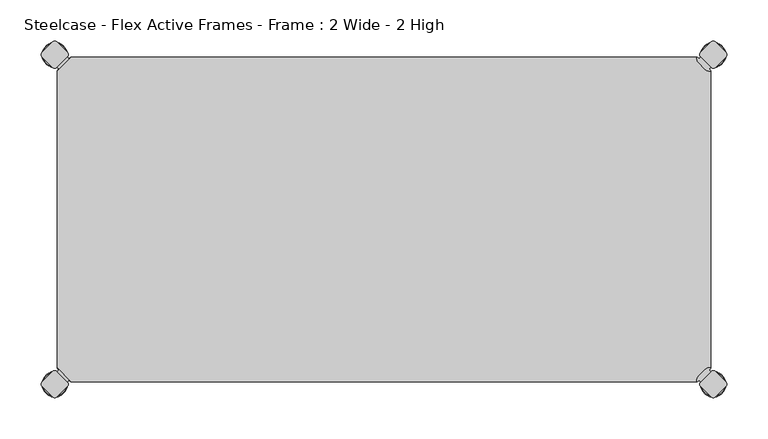
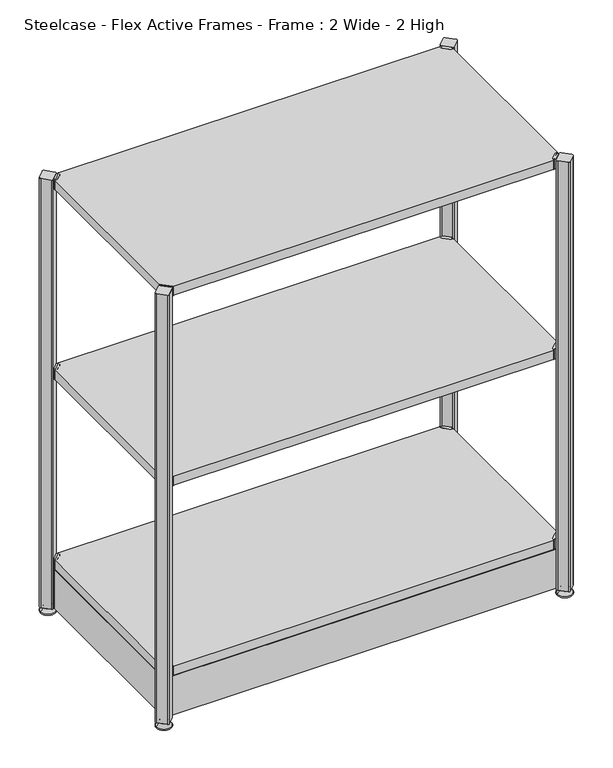
"""IFC4 building model written with IfcOpenShell, lengths in millimetres: furniture geometry, Steelcase - Flex Active Frames - Frame : 2 Wide - 2 High."""

from ifc_helpers import new_model, si_unit, point, frame, frame_2d, origin, place, context, project, spatial, polyline, circle_curve, ellipse_curve, trimmed, segment, composite_curve, outline, extrude, source, transform, mapped, element, save
from ifc_brep_helpers import plane_surface, cylinder_surface, revolved_surface, advanced_brep


def steelcase_flex_active_frames_frame_2_wide_2_high_5bd7e13f(model_context):
    return source(origin(), model_context, "Body", "SolidModel", [
        advanced_brep(
        [(795.4995166, -396.9286835, 0.0), (809.4482375, -396.9286835, 0.0), (781.5507958, -396.9286835, 0.0), (810.3951451, -396.9286835, 2.116325), (780.6038882, -396.9286835, 2.116325), (804.2429012, -396.9286835, 8.9997406), (786.7561321, -396.9286835, 8.9997406), (802.9003852, -396.9286835, 8.9997406), (788.0986481, -396.9286835, 8.9997406), (802.9003852, -396.9286835, 12.0919909), (788.0986481, -396.9286835, 12.0919909), (802.3923852, -396.9286835, 12.5999909), (788.6066481, -396.9286835, 12.5999909), (799.518847, -396.9286835, 12.5999909), (791.4801863, -396.9286835, 12.5999909), (799.518847, -396.9286835, 22.7146261), (791.4801863, -396.9286835, 22.7146261), (795.4995166, -396.9286835, 22.7146261)],
        [
            (0, 1),
            (1, 2, circle_curve(frame((795.4995166, -396.9286835, 0.0), z_axis=(0.0, 0.0, -1.0), x_axis=(1.0, 0.0, 0.0)), 13.9487209)),
            (2, 0),
            (2, 1, circle_curve(frame((795.4995166, -396.9286835, 0.0), z_axis=(0.0, 0.0, -1.0), x_axis=(1.0, 0.0, 0.0)), 13.9487209)),
            (1, 3, circle_curve(frame((809.4482375, -396.9286835, 1.27), z_axis=(0.0, -1.0, 0.0), x_axis=(1.0, 0.0, 0.0)), 1.27)),
            (3, 4, circle_curve(frame((795.4995166, -396.9286835, 2.116325), z_axis=(0.0, 0.0, -1.0), x_axis=(1.0, 0.0, 0.0)), 14.8956285)),
            (4, 2, circle_curve(frame((781.5507958, -396.9286835, 1.27), z_axis=(0.0, -1.0, 0.0), x_axis=(-1.0, 0.0, 0.0)), 1.27)),
            (4, 3, circle_curve(frame((795.4995166, -396.9286835, 2.116325), z_axis=(0.0, 0.0, -1.0), x_axis=(1.0, 0.0, 0.0)), 14.8956285)),
            (3, 5),
            (5, 6, circle_curve(frame((795.4995166, -396.9286835, 8.9997406), z_axis=(0.0, 0.0, -1.0), x_axis=(1.0, 0.0, 0.0)), 8.7433846)),
            (6, 4),
            (6, 5, circle_curve(frame((795.4995166, -396.9286835, 8.9997406), z_axis=(0.0, 0.0, -1.0), x_axis=(1.0, 0.0, 0.0)), 8.7433846)),
            (5, 7),
            (7, 8, circle_curve(frame((795.4995166, -396.9286835, 8.9997406), z_axis=(0.0, 0.0, -1.0), x_axis=(1.0, 0.0, 0.0)), 7.4008685)),
            (8, 6),
            (8, 7, circle_curve(frame((795.4995166, -396.9286835, 8.9997406), z_axis=(0.0, 0.0, -1.0), x_axis=(1.0, 0.0, 0.0)), 7.4008685)),
            (7, 9),
            (9, 10, circle_curve(frame((795.4995166, -396.9286835, 12.0919909), z_axis=(0.0, 0.0, -1.0), x_axis=(1.0, 0.0, 0.0)), 7.4008685)),
            (10, 8),
            (10, 9, circle_curve(frame((795.4995166, -396.9286835, 12.0919909), z_axis=(0.0, 0.0, -1.0), x_axis=(1.0, 0.0, 0.0)), 7.4008685)),
            (9, 11, circle_curve(frame((802.3923852, -396.9286835, 12.0919909), z_axis=(0.0, -1.0, 0.0), x_axis=(1.0, 0.0, 0.0)), 0.508)),
            (11, 12, circle_curve(frame((795.4995166, -396.9286835, 12.5999909), z_axis=(0.0, 0.0, -1.0), x_axis=(1.0, 0.0, 0.0)), 6.8928685)),
            (12, 10, circle_curve(frame((788.6066481, -396.9286835, 12.0919909), z_axis=(0.0, -1.0, 0.0), x_axis=(-1.0, 0.0, 0.0)), 0.508)),
            (12, 11, circle_curve(frame((795.4995166, -396.9286835, 12.5999909), z_axis=(0.0, 0.0, -1.0), x_axis=(1.0, 0.0, 0.0)), 6.8928685)),
            (11, 13),
            (13, 14, circle_curve(frame((795.4995166, -396.9286835, 12.5999909), z_axis=(0.0, 0.0, -1.0), x_axis=(1.0, 0.0, 0.0)), 4.0193303)),
            (14, 12),
            (14, 13, circle_curve(frame((795.4995166, -396.9286835, 12.5999909), z_axis=(0.0, 0.0, -1.0), x_axis=(1.0, 0.0, 0.0)), 4.0193303)),
            (13, 15),
            (15, 16, circle_curve(frame((795.4995166, -396.9286835, 22.7146261), z_axis=(0.0, 0.0, -1.0), x_axis=(1.0, 0.0, 0.0)), 4.0193303)),
            (16, 14),
            (16, 15, circle_curve(frame((795.4995166, -396.9286835, 22.7146261), z_axis=(0.0, 0.0, -1.0), x_axis=(1.0, 0.0, 0.0)), 4.0193303)),
            (15, 17),
            (17, 16),
        ],
        [
            plane_surface(frame((795.4995166, -396.9286835, 0.0), z_axis=(0.0, 0.0, -1.0), x_axis=(1.0, 0.0, 0.0))),
            revolved_surface(trimmed(ellipse_curve(frame((809.4482375, -396.9286835, 1.27), z_axis=(0.0, 1.0, 0.0), x_axis=(1.0, 0.0, 0.0)), 1.27, 1.27), [point((810.3951451, -396.9286835, 2.116325))], [point((809.4482375, -396.9286835, 0.0))], True, "CARTESIAN"), (795.4995166, -396.9286835, 32.0514718), (0.0, 0.0, -1.0)),
            revolved_surface(polyline([(804.2429012, -396.9286835, 8.9997406), (810.3951451, -396.9286835, 2.116325)]), (795.4995166, -396.9286835, 32.0514718), (0.0, 0.0, -1.0)),
            plane_surface(frame((795.4995166, -396.9286835, 8.9997406), z_axis=(0.0, 0.0, 1.0), x_axis=(1.0, 0.0, 0.0))),
            cylinder_surface(frame((795.4995166, -396.9286835, 32.0514718), z_axis=(0.0, 0.0, -1.0), x_axis=(1.0, 0.0, 0.0)), 7.4008685),
            revolved_surface(trimmed(ellipse_curve(frame((802.3923852, -396.9286835, 12.0919909), z_axis=(0.0, 1.0, 0.0), x_axis=(1.0, 0.0, 0.0)), 0.508, 0.508), [point((802.3923852, -396.9286835, 12.5999909))], [point((802.9003852, -396.9286835, 12.0919909))], True, "CARTESIAN"), (795.4995166, -396.9286835, 32.0514718), (0.0, 0.0, -1.0)),
            plane_surface(frame((795.4995166, -396.9286835, 12.5999909), z_axis=(0.0, 0.0, 1.0), x_axis=(1.0, 0.0, 0.0))),
            cylinder_surface(frame((795.4995166, -396.9286835, 32.0514718), z_axis=(0.0, 0.0, -1.0), x_axis=(1.0, 0.0, 0.0)), 4.0193303),
            plane_surface(frame((795.4995166, -396.9286835, 22.7146261), z_axis=(0.0, 0.0, 1.0), x_axis=(1.0, 0.0, 0.0))),
        ],
        [
            (0, [[1, 2, 3]]),
            (0, [[-3, 4, -1]]),
            (1, [[-2, 5, 6, 7]]),
            (1, [[-4, -7, 8, -5]]),
            (2, [[-6, 9, 10, 11]]),
            (2, [[-8, -11, 12, -9]]),
            (3, [[-10, 13, 14, 15]]),
            (3, [[-12, -15, 16, -13]]),
            (4, [[-14, 17, 18, 19]]),
            (4, [[-16, -19, 20, -17]]),
            (5, [[-18, 21, 22, 23]]),
            (5, [[-20, -23, 24, -21]]),
            (6, [[-22, 25, 26, 27]]),
            (6, [[-24, -27, 28, -25]]),
            (7, [[-26, 29, 30, 31]]),
            (7, [[-28, -31, 32, -29]]),
            (8, [[-30, 33, 34]]),
            (8, [[-32, -34, -33]]),
        ],
    ),
        advanced_brep(
        [(795.4995166, 2.9246323, 0.0), (781.5507958, 2.9246323, 0.0), (809.4482375, 2.9246323, 0.0), (780.6038882, 2.9246323, 2.116325), (810.3951451, 2.9246323, 2.116325), (786.7561321, 2.9246323, 8.9997406), (804.2429012, 2.9246323, 8.9997406), (788.0986481, 2.9246323, 8.9997406), (802.9003852, 2.9246323, 8.9997406), (788.0986481, 2.9246323, 12.0919909), (802.9003852, 2.9246323, 12.0919909), (788.6066481, 2.9246323, 12.5999909), (802.3923852, 2.9246323, 12.5999909), (791.4801863, 2.9246323, 12.5999909), (799.518847, 2.9246323, 12.5999909), (791.4801863, 2.9246323, 22.7146261), (799.518847, 2.9246323, 22.7146261), (795.4995166, 2.9246323, 22.7146261)],
        [
            (0, 1),
            (1, 2, circle_curve(frame((795.4995166, 2.9246323, 0.0), z_axis=(0.0, 0.0, -1.0), x_axis=(1.0, 0.0, 0.0)), 13.9487209)),
            (2, 0),
            (2, 1, circle_curve(frame((795.4995166, 2.9246323, 0.0), z_axis=(0.0, 0.0, -1.0), x_axis=(1.0, 0.0, 0.0)), 13.9487209)),
            (1, 3, circle_curve(frame((781.5507958, 2.9246323, 1.27), z_axis=(0.0, 1.0, 0.0), x_axis=(-1.0, 0.0, 0.0)), 1.27)),
            (3, 4, circle_curve(frame((795.4995166, 2.9246323, 2.116325), z_axis=(0.0, 0.0, -1.0), x_axis=(1.0, 0.0, 0.0)), 14.8956285)),
            (4, 2, circle_curve(frame((809.4482375, 2.9246323, 1.27), z_axis=(0.0, 1.0, 0.0), x_axis=(1.0, 0.0, 0.0)), 1.27)),
            (4, 3, circle_curve(frame((795.4995166, 2.9246323, 2.116325), z_axis=(0.0, 0.0, -1.0), x_axis=(1.0, 0.0, 0.0)), 14.8956285)),
            (3, 5),
            (5, 6, circle_curve(frame((795.4995166, 2.9246323, 8.9997406), z_axis=(0.0, 0.0, -1.0), x_axis=(1.0, 0.0, 0.0)), 8.7433846)),
            (6, 4),
            (6, 5, circle_curve(frame((795.4995166, 2.9246323, 8.9997406), z_axis=(0.0, 0.0, -1.0), x_axis=(1.0, 0.0, 0.0)), 8.7433846)),
            (5, 7),
            (7, 8, circle_curve(frame((795.4995166, 2.9246323, 8.9997406), z_axis=(0.0, 0.0, -1.0), x_axis=(1.0, 0.0, 0.0)), 7.4008685)),
            (8, 6),
            (8, 7, circle_curve(frame((795.4995166, 2.9246323, 8.9997406), z_axis=(0.0, 0.0, -1.0), x_axis=(1.0, 0.0, 0.0)), 7.4008685)),
            (7, 9),
            (9, 10, circle_curve(frame((795.4995166, 2.9246323, 12.0919909), z_axis=(0.0, 0.0, -1.0), x_axis=(1.0, 0.0, 0.0)), 7.4008685)),
            (10, 8),
            (10, 9, circle_curve(frame((795.4995166, 2.9246323, 12.0919909), z_axis=(0.0, 0.0, -1.0), x_axis=(1.0, 0.0, 0.0)), 7.4008685)),
            (9, 11, circle_curve(frame((788.6066481, 2.9246323, 12.0919909), z_axis=(0.0, 1.0, 0.0), x_axis=(-1.0, 0.0, 0.0)), 0.508)),
            (11, 12, circle_curve(frame((795.4995166, 2.9246323, 12.5999909), z_axis=(0.0, 0.0, -1.0), x_axis=(1.0, 0.0, 0.0)), 6.8928685)),
            (12, 10, circle_curve(frame((802.3923852, 2.9246323, 12.0919909), z_axis=(0.0, 1.0, 0.0), x_axis=(1.0, 0.0, 0.0)), 0.508)),
            (12, 11, circle_curve(frame((795.4995166, 2.9246323, 12.5999909), z_axis=(0.0, 0.0, -1.0), x_axis=(1.0, 0.0, 0.0)), 6.8928685)),
            (11, 13),
            (13, 14, circle_curve(frame((795.4995166, 2.9246323, 12.5999909), z_axis=(0.0, 0.0, -1.0), x_axis=(1.0, 0.0, 0.0)), 4.0193303)),
            (14, 12),
            (14, 13, circle_curve(frame((795.4995166, 2.9246323, 12.5999909), z_axis=(0.0, 0.0, -1.0), x_axis=(1.0, 0.0, 0.0)), 4.0193303)),
            (13, 15),
            (15, 16, circle_curve(frame((795.4995166, 2.9246323, 22.7146261), z_axis=(0.0, 0.0, -1.0), x_axis=(1.0, 0.0, 0.0)), 4.0193303)),
            (16, 14),
            (16, 15, circle_curve(frame((795.4995166, 2.9246323, 22.7146261), z_axis=(0.0, 0.0, -1.0), x_axis=(1.0, 0.0, 0.0)), 4.0193303)),
            (15, 17),
            (17, 16),
        ],
        [
            plane_surface(frame((795.4995166, 2.9246323, 0.0), z_axis=(0.0, 0.0, -1.0), x_axis=(1.0, 0.0, 0.0))),
            revolved_surface(trimmed(ellipse_curve(frame((809.4482375, 2.9246323, 1.27), z_axis=(0.0, 1.0, 0.0), x_axis=(1.0, 0.0, 0.0)), 1.27, 1.27), [point((810.3951451, 2.9246323, 2.116325))], [point((809.4482375, 2.9246323, 0.0))], True, "CARTESIAN"), (795.4995166, 2.9246323, 32.0514718), (0.0, 0.0, -1.0)),
            revolved_surface(polyline([(804.2429012, 2.9246323, 8.9997406), (810.3951451, 2.9246323, 2.116325)]), (795.4995166, 2.9246323, 32.0514718), (0.0, 0.0, -1.0)),
            plane_surface(frame((795.4995166, 2.9246323, 8.9997406), z_axis=(0.0, 0.0, 1.0), x_axis=(1.0, 0.0, 0.0))),
            cylinder_surface(frame((795.4995166, 2.9246323, 32.0514718), z_axis=(0.0, 0.0, -1.0), x_axis=(1.0, 0.0, 0.0)), 7.4008685),
            revolved_surface(trimmed(ellipse_curve(frame((802.3923852, 2.9246323, 12.0919909), z_axis=(0.0, 1.0, 0.0), x_axis=(1.0, 0.0, 0.0)), 0.508, 0.508), [point((802.3923852, 2.9246323, 12.5999909))], [point((802.9003852, 2.9246323, 12.0919909))], True, "CARTESIAN"), (795.4995166, 2.9246323, 32.0514718), (0.0, 0.0, -1.0)),
            plane_surface(frame((795.4995166, 2.9246323, 12.5999909), z_axis=(0.0, 0.0, 1.0), x_axis=(1.0, 0.0, 0.0))),
            cylinder_surface(frame((795.4995166, 2.9246323, 32.0514718), z_axis=(0.0, 0.0, -1.0), x_axis=(1.0, 0.0, 0.0)), 4.0193303),
            plane_surface(frame((795.4995166, 2.9246323, 22.7146261), z_axis=(0.0, 0.0, 1.0), x_axis=(1.0, 0.0, 0.0))),
        ],
        [
            (0, [[1, 2, 3]]),
            (0, [[-3, 4, -1]]),
            (1, [[5, 6, 7, -2]]),
            (1, [[-7, 8, -5, -4]]),
            (2, [[9, 10, 11, -6]]),
            (2, [[-11, 12, -9, -8]]),
            (3, [[13, 14, 15, -10]]),
            (3, [[-15, 16, -13, -12]]),
            (4, [[17, 18, 19, -14]]),
            (4, [[-19, 20, -17, -16]]),
            (5, [[21, 22, 23, -18]]),
            (5, [[-23, 24, -21, -20]]),
            (6, [[25, 26, 27, -22]]),
            (6, [[-27, 28, -25, -24]]),
            (7, [[29, 30, 31, -26]]),
            (7, [[-31, 32, -29, -28]]),
            (8, [[33, 34, -30]]),
            (8, [[-34, -33, -32]]),
        ],
    ),
        advanced_brep(
        [(-3.0195166, -396.8786323, 0.0), (10.9292042, -396.8786323, 0.0), (-16.9682375, -396.8786323, 0.0), (11.8761118, -396.8786323, 2.116325), (-17.9151451, -396.8786323, 2.116325), (5.7238679, -396.8786323, 8.9997406), (-11.7629012, -396.8786323, 8.9997406), (4.3813519, -396.8786323, 8.9997406), (-10.4203852, -396.8786323, 8.9997406), (4.3813519, -396.8786323, 12.0919909), (-10.4203852, -396.8786323, 12.0919909), (3.8733519, -396.8786323, 12.5999909), (-9.9123852, -396.8786323, 12.5999909), (0.9998137, -396.8786323, 12.5999909), (-7.038847, -396.8786323, 12.5999909), (0.9998137, -396.8786323, 22.7146261), (-7.038847, -396.8786323, 22.7146261), (-3.0195166, -396.8786323, 22.7146261)],
        [
            (0, 1),
            (1, 2, circle_curve(frame((-3.0195166, -396.8786323, 0.0), z_axis=(0.0, 0.0, -1.0), x_axis=(-1.0, 0.0, 0.0)), 13.9487209)),
            (2, 0),
            (2, 1, circle_curve(frame((-3.0195166, -396.8786323, 0.0), z_axis=(0.0, 0.0, -1.0), x_axis=(-1.0, 0.0, 0.0)), 13.9487209)),
            (1, 3, circle_curve(frame((10.9292042, -396.8786323, 1.27), z_axis=(0.0, -1.0, 0.0), x_axis=(1.0, 0.0, 0.0)), 1.27)),
            (3, 4, circle_curve(frame((-3.0195166, -396.8786323, 2.116325), z_axis=(0.0, 0.0, -1.0), x_axis=(-1.0, 0.0, 0.0)), 14.8956285)),
            (4, 2, circle_curve(frame((-16.9682375, -396.8786323, 1.27), z_axis=(0.0, -1.0, 0.0), x_axis=(-1.0, 0.0, 0.0)), 1.27)),
            (4, 3, circle_curve(frame((-3.0195166, -396.8786323, 2.116325), z_axis=(0.0, 0.0, -1.0), x_axis=(-1.0, 0.0, 0.0)), 14.8956285)),
            (3, 5),
            (5, 6, circle_curve(frame((-3.0195166, -396.8786323, 8.9997406), z_axis=(0.0, 0.0, -1.0), x_axis=(-1.0, 0.0, 0.0)), 8.7433846)),
            (6, 4),
            (6, 5, circle_curve(frame((-3.0195166, -396.8786323, 8.9997406), z_axis=(0.0, 0.0, -1.0), x_axis=(-1.0, 0.0, 0.0)), 8.7433846)),
            (5, 7),
            (7, 8, circle_curve(frame((-3.0195166, -396.8786323, 8.9997406), z_axis=(0.0, 0.0, -1.0), x_axis=(-1.0, 0.0, 0.0)), 7.4008685)),
            (8, 6),
            (8, 7, circle_curve(frame((-3.0195166, -396.8786323, 8.9997406), z_axis=(0.0, 0.0, -1.0), x_axis=(-1.0, 0.0, 0.0)), 7.4008685)),
            (7, 9),
            (9, 10, circle_curve(frame((-3.0195166, -396.8786323, 12.0919909), z_axis=(0.0, 0.0, -1.0), x_axis=(-1.0, 0.0, 0.0)), 7.4008685)),
            (10, 8),
            (10, 9, circle_curve(frame((-3.0195166, -396.8786323, 12.0919909), z_axis=(0.0, 0.0, -1.0), x_axis=(-1.0, 0.0, 0.0)), 7.4008685)),
            (9, 11, circle_curve(frame((3.8733519, -396.8786323, 12.0919909), z_axis=(0.0, -1.0, 0.0), x_axis=(1.0, 0.0, 0.0)), 0.508)),
            (11, 12, circle_curve(frame((-3.0195166, -396.8786323, 12.5999909), z_axis=(0.0, 0.0, -1.0), x_axis=(-1.0, 0.0, 0.0)), 6.8928685)),
            (12, 10, circle_curve(frame((-9.9123852, -396.8786323, 12.0919909), z_axis=(0.0, -1.0, 0.0), x_axis=(-1.0, 0.0, 0.0)), 0.508)),
            (12, 11, circle_curve(frame((-3.0195166, -396.8786323, 12.5999909), z_axis=(0.0, 0.0, -1.0), x_axis=(-1.0, 0.0, 0.0)), 6.8928685)),
            (11, 13),
            (13, 14, circle_curve(frame((-3.0195166, -396.8786323, 12.5999909), z_axis=(0.0, 0.0, -1.0), x_axis=(-1.0, 0.0, 0.0)), 4.0193303)),
            (14, 12),
            (14, 13, circle_curve(frame((-3.0195166, -396.8786323, 12.5999909), z_axis=(0.0, 0.0, -1.0), x_axis=(-1.0, 0.0, 0.0)), 4.0193303)),
            (13, 15),
            (15, 16, circle_curve(frame((-3.0195166, -396.8786323, 22.7146261), z_axis=(0.0, 0.0, -1.0), x_axis=(-1.0, 0.0, 0.0)), 4.0193303)),
            (16, 14),
            (16, 15, circle_curve(frame((-3.0195166, -396.8786323, 22.7146261), z_axis=(0.0, 0.0, -1.0), x_axis=(-1.0, 0.0, 0.0)), 4.0193303)),
            (15, 17),
            (17, 16),
        ],
        [
            plane_surface(frame((-3.0195166, -396.8786323, 0.0), z_axis=(0.0, 0.0, -1.0), x_axis=(-1.0, 0.0, 0.0))),
            revolved_surface(trimmed(ellipse_curve(frame((-16.9682375, -396.8786323, 1.27), z_axis=(0.0, -1.0, 0.0), x_axis=(-1.0, 0.0, 0.0)), 1.27, 1.27), [point((-17.9151451, -396.8786323, 2.116325))], [point((-16.9682375, -396.8786323, 0.0))], True, "CARTESIAN"), (-3.0195166, -396.8786323, 32.0514718), (0.0, 0.0, -1.0)),
            revolved_surface(polyline([(-11.7629012, -396.8786323, 8.9997406), (-17.9151451, -396.8786323, 2.116325)]), (-3.0195166, -396.8786323, 32.0514718), (0.0, 0.0, -1.0)),
            plane_surface(frame((-3.0195166, -396.8786323, 8.9997406), z_axis=(0.0, 0.0, 1.0), x_axis=(-1.0, 0.0, 0.0))),
            cylinder_surface(frame((-3.0195166, -396.8786323, 32.0514718), z_axis=(0.0, 0.0, -1.0), x_axis=(-1.0, 0.0, 0.0)), 7.4008685),
            revolved_surface(trimmed(ellipse_curve(frame((-9.9123852, -396.8786323, 12.0919909), z_axis=(0.0, -1.0, 0.0), x_axis=(-1.0, 0.0, 0.0)), 0.508, 0.508), [point((-9.9123852, -396.8786323, 12.5999909))], [point((-10.4203852, -396.8786323, 12.0919909))], True, "CARTESIAN"), (-3.0195166, -396.8786323, 32.0514718), (0.0, 0.0, -1.0)),
            plane_surface(frame((-3.0195166, -396.8786323, 12.5999909), z_axis=(0.0, 0.0, 1.0), x_axis=(-1.0, 0.0, 0.0))),
            cylinder_surface(frame((-3.0195166, -396.8786323, 32.0514718), z_axis=(0.0, 0.0, -1.0), x_axis=(-1.0, 0.0, 0.0)), 4.0193303),
            plane_surface(frame((-3.0195166, -396.8786323, 22.7146261), z_axis=(0.0, 0.0, 1.0), x_axis=(-1.0, 0.0, 0.0))),
        ],
        [
            (0, [[1, 2, 3]]),
            (0, [[-3, 4, -1]]),
            (1, [[5, 6, 7, -2]]),
            (1, [[-7, 8, -5, -4]]),
            (2, [[9, 10, 11, -6]]),
            (2, [[-11, 12, -9, -8]]),
            (3, [[13, 14, 15, -10]]),
            (3, [[-15, 16, -13, -12]]),
            (4, [[17, 18, 19, -14]]),
            (4, [[-19, 20, -17, -16]]),
            (5, [[21, 22, 23, -18]]),
            (5, [[-23, 24, -21, -20]]),
            (6, [[25, 26, 27, -22]]),
            (6, [[-27, 28, -25, -24]]),
            (7, [[29, 30, 31, -26]]),
            (7, [[-31, 32, -29, -28]]),
            (8, [[33, 34, -30]]),
            (8, [[-34, -33, -32]]),
        ],
    ),
        advanced_brep(
        [(-3.0195166, 2.9246323, 0.0), (-16.9682375, 2.9246323, 0.0), (10.9292042, 2.9246323, 0.0), (-17.9151451, 2.9246323, 2.116325), (11.8761118, 2.9246323, 2.116325), (-11.7629012, 2.9246323, 8.9997406), (5.7238679, 2.9246323, 8.9997406), (-10.4203852, 2.9246323, 8.9997406), (4.3813519, 2.9246323, 8.9997406), (-10.4203852, 2.9246323, 12.0919909), (4.3813519, 2.9246323, 12.0919909), (-9.9123852, 2.9246323, 12.5999909), (3.8733519, 2.9246323, 12.5999909), (-7.038847, 2.9246323, 12.5999909), (0.9998137, 2.9246323, 12.5999909), (-7.038847, 2.9246323, 22.7146261), (0.9998137, 2.9246323, 22.7146261), (-3.0195166, 2.9246323, 22.7146261)],
        [
            (0, 1),
            (1, 2, circle_curve(frame((-3.0195166, 2.9246323, 0.0), z_axis=(0.0, 0.0, -1.0), x_axis=(-1.0, 0.0, 0.0)), 13.9487209)),
            (2, 0),
            (2, 1, circle_curve(frame((-3.0195166, 2.9246323, 0.0), z_axis=(0.0, 0.0, -1.0), x_axis=(-1.0, 0.0, 0.0)), 13.9487209)),
            (1, 3, circle_curve(frame((-16.9682375, 2.9246323, 1.27), z_axis=(0.0, 1.0, 0.0), x_axis=(-1.0, 0.0, 0.0)), 1.27)),
            (3, 4, circle_curve(frame((-3.0195166, 2.9246323, 2.116325), z_axis=(0.0, 0.0, -1.0), x_axis=(-1.0, 0.0, 0.0)), 14.8956285)),
            (4, 2, circle_curve(frame((10.9292042, 2.9246323, 1.27), z_axis=(0.0, 1.0, 0.0), x_axis=(1.0, 0.0, 0.0)), 1.27)),
            (4, 3, circle_curve(frame((-3.0195166, 2.9246323, 2.116325), z_axis=(0.0, 0.0, -1.0), x_axis=(-1.0, 0.0, 0.0)), 14.8956285)),
            (3, 5),
            (5, 6, circle_curve(frame((-3.0195166, 2.9246323, 8.9997406), z_axis=(0.0, 0.0, -1.0), x_axis=(-1.0, 0.0, 0.0)), 8.7433846)),
            (6, 4),
            (6, 5, circle_curve(frame((-3.0195166, 2.9246323, 8.9997406), z_axis=(0.0, 0.0, -1.0), x_axis=(-1.0, 0.0, 0.0)), 8.7433846)),
            (5, 7),
            (7, 8, circle_curve(frame((-3.0195166, 2.9246323, 8.9997406), z_axis=(0.0, 0.0, -1.0), x_axis=(-1.0, 0.0, 0.0)), 7.4008685)),
            (8, 6),
            (8, 7, circle_curve(frame((-3.0195166, 2.9246323, 8.9997406), z_axis=(0.0, 0.0, -1.0), x_axis=(-1.0, 0.0, 0.0)), 7.4008685)),
            (7, 9),
            (9, 10, circle_curve(frame((-3.0195166, 2.9246323, 12.0919909), z_axis=(0.0, 0.0, -1.0), x_axis=(-1.0, 0.0, 0.0)), 7.4008685)),
            (10, 8),
            (10, 9, circle_curve(frame((-3.0195166, 2.9246323, 12.0919909), z_axis=(0.0, 0.0, -1.0), x_axis=(-1.0, 0.0, 0.0)), 7.4008685)),
            (9, 11, circle_curve(frame((-9.9123852, 2.9246323, 12.0919909), z_axis=(0.0, 1.0, 0.0), x_axis=(-1.0, 0.0, 0.0)), 0.508)),
            (11, 12, circle_curve(frame((-3.0195166, 2.9246323, 12.5999909), z_axis=(0.0, 0.0, -1.0), x_axis=(-1.0, 0.0, 0.0)), 6.8928685)),
            (12, 10, circle_curve(frame((3.8733519, 2.9246323, 12.0919909), z_axis=(0.0, 1.0, 0.0), x_axis=(1.0, 0.0, 0.0)), 0.508)),
            (12, 11, circle_curve(frame((-3.0195166, 2.9246323, 12.5999909), z_axis=(0.0, 0.0, -1.0), x_axis=(-1.0, 0.0, 0.0)), 6.8928685)),
            (11, 13),
            (13, 14, circle_curve(frame((-3.0195166, 2.9246323, 12.5999909), z_axis=(0.0, 0.0, -1.0), x_axis=(-1.0, 0.0, 0.0)), 4.0193303)),
            (14, 12),
            (14, 13, circle_curve(frame((-3.0195166, 2.9246323, 12.5999909), z_axis=(0.0, 0.0, -1.0), x_axis=(-1.0, 0.0, 0.0)), 4.0193303)),
            (13, 15),
            (15, 16, circle_curve(frame((-3.0195166, 2.9246323, 22.7146261), z_axis=(0.0, 0.0, -1.0), x_axis=(-1.0, 0.0, 0.0)), 4.0193303)),
            (16, 14),
            (16, 15, circle_curve(frame((-3.0195166, 2.9246323, 22.7146261), z_axis=(0.0, 0.0, -1.0), x_axis=(-1.0, 0.0, 0.0)), 4.0193303)),
            (15, 17),
            (17, 16),
        ],
        [
            plane_surface(frame((-3.0195166, 2.9246323, 0.0), z_axis=(0.0, 0.0, -1.0), x_axis=(-1.0, 0.0, 0.0))),
            revolved_surface(trimmed(ellipse_curve(frame((-16.9682375, 2.9246323, 1.27), z_axis=(0.0, -1.0, 0.0), x_axis=(-1.0, 0.0, 0.0)), 1.27, 1.27), [point((-17.9151451, 2.9246323, 2.116325))], [point((-16.9682375, 2.9246323, 0.0))], True, "CARTESIAN"), (-3.0195166, 2.9246323, 32.0514718), (0.0, 0.0, -1.0)),
            revolved_surface(polyline([(-11.7629012, 2.9246323, 8.9997406), (-17.9151451, 2.9246323, 2.116325)]), (-3.0195166, 2.9246323, 32.0514718), (0.0, 0.0, -1.0)),
            plane_surface(frame((-3.0195166, 2.9246323, 8.9997406), z_axis=(0.0, 0.0, 1.0), x_axis=(-1.0, 0.0, 0.0))),
            cylinder_surface(frame((-3.0195166, 2.9246323, 32.0514718), z_axis=(0.0, 0.0, -1.0), x_axis=(-1.0, 0.0, 0.0)), 7.4008685),
            revolved_surface(trimmed(ellipse_curve(frame((-9.9123852, 2.9246323, 12.0919909), z_axis=(0.0, -1.0, 0.0), x_axis=(-1.0, 0.0, 0.0)), 0.508, 0.508), [point((-9.9123852, 2.9246323, 12.5999909))], [point((-10.4203852, 2.9246323, 12.0919909))], True, "CARTESIAN"), (-3.0195166, 2.9246323, 32.0514718), (0.0, 0.0, -1.0)),
            plane_surface(frame((-3.0195166, 2.9246323, 12.5999909), z_axis=(0.0, 0.0, 1.0), x_axis=(-1.0, 0.0, 0.0))),
            cylinder_surface(frame((-3.0195166, 2.9246323, 32.0514718), z_axis=(0.0, 0.0, -1.0), x_axis=(-1.0, 0.0, 0.0)), 4.0193303),
            plane_surface(frame((-3.0195166, 2.9246323, 22.7146261), z_axis=(0.0, 0.0, 1.0), x_axis=(-1.0, 0.0, 0.0))),
        ],
        [
            (0, [[1, 2, 3]]),
            (0, [[-3, 4, -1]]),
            (1, [[-2, 5, 6, 7]]),
            (1, [[-4, -7, 8, -5]]),
            (2, [[-6, 9, 10, 11]]),
            (2, [[-8, -11, 12, -9]]),
            (3, [[-10, 13, 14, 15]]),
            (3, [[-12, -15, 16, -13]]),
            (4, [[-14, 17, 18, 19]]),
            (4, [[-16, -19, 20, -17]]),
            (5, [[-18, 21, 22, 23]]),
            (5, [[-20, -23, 24, -21]]),
            (6, [[-22, 25, 26, 27]]),
            (6, [[-24, -27, 28, -25]]),
            (7, [[-26, 29, 30, 31]]),
            (7, [[-28, -31, 32, -29]]),
            (8, [[-30, 33, 34]]),
            (8, [[-32, -34, -33]]),
        ],
    ),
        extrude(outline(composite_curve([segment(polyline([(778.3364357, -1.93874), (780.4244011, 0.1493247), (792.6187028, -12.044977), (790.530772, -14.1329326), (792.5017057, -16.1038431), (792.4895198, -17.203916), (789.7543812, -16.8384277)]), True, "CONTINUOUS"), segment(trimmed(circle_curve(frame_2d((790.5954366, -10.5443729)), 6.35), [point((789.7543812, -16.8384277))], [point((786.1052784, -15.0344708))], False, "CARTESIAN"), True, "CONTINUOUS"), segment(polyline([(786.1052784, -15.0344708), (777.4359854, -6.3650612)]), True, "CONTINUOUS"), segment(trimmed(circle_curve(frame_2d((781.9261436, -1.8749633)), 6.35), [point((777.4359854, -6.3650612))], [point((775.6321123, -2.7161946))], False, "CARTESIAN"), True, "CONTINUOUS"), segment(polyline([(775.6321123, -2.7161946), (775.26654, 0.0189911), (776.3664729, 0.0311996), (778.3364357, -1.93874)]), True, "CONTINUOUS")], self_intersect=False)), frame((0.0, 0.0, 896.4822952), z_axis=(0.0, 0.0, 1.0), x_axis=(1.0, 0.0, 0.0)), (0.0, 0.0, 1.0), 20.2281258),
        extrude(outline(composite_curve([segment(polyline([(778.3364357, -392.01526), (776.3664729, -393.9851996), (775.26654, -393.9729911), (775.6321123, -391.2378054)]), True, "CONTINUOUS"), segment(trimmed(circle_curve(frame_2d((781.9261436, -392.0790367)), 6.35), [point((775.6321123, -391.2378054))], [point((777.4359854, -387.5889388))], False, "CARTESIAN"), True, "CONTINUOUS"), segment(polyline([(777.4359854, -387.5889388), (786.1052784, -378.9195292)]), True, "CONTINUOUS"), segment(trimmed(circle_curve(frame_2d((790.5954366, -383.4096271)), 6.35), [point((786.1052784, -378.9195292))], [point((789.7543812, -377.1155723))], False, "CARTESIAN"), True, "CONTINUOUS"), segment(polyline([(789.7543812, -377.1155723), (792.4895198, -376.750084), (792.5017057, -377.8501569), (790.530772, -379.8210674), (792.6187028, -381.909023), (780.4244011, -394.1033247), (778.3364357, -392.01526)]), True, "CONTINUOUS")], self_intersect=False)), frame((0.0, 0.0, 896.4822952), z_axis=(0.0, 0.0, 1.0), x_axis=(1.0, 0.0, 0.0)), (0.0, 0.0, 1.0), 20.2281258),
        extrude(outline(composite_curve([segment(polyline([(778.3364357, -1.93874), (780.4244011, 0.1493247), (792.6187028, -12.044977), (790.530772, -14.1329326), (792.5017057, -16.1038431), (792.4895198, -17.203916), (789.7543812, -16.8384277)]), True, "CONTINUOUS"), segment(trimmed(circle_curve(frame_2d((790.5954366, -10.5443729)), 6.35), [point((789.7543812, -16.8384277))], [point((786.1052784, -15.0344708))], False, "CARTESIAN"), True, "CONTINUOUS"), segment(polyline([(786.1052784, -15.0344708), (777.4359854, -6.3650612)]), True, "CONTINUOUS"), segment(trimmed(circle_curve(frame_2d((781.9261436, -1.8749633)), 6.35), [point((777.4359854, -6.3650612))], [point((775.6321123, -2.7161946))], False, "CARTESIAN"), True, "CONTINUOUS"), segment(polyline([(775.6321123, -2.7161946), (775.26654, 0.0189911), (776.3664729, 0.0311996), (778.3364357, -1.93874)]), True, "CONTINUOUS")], self_intersect=False)), frame((0.0, 0.0, 496.4821468), z_axis=(0.0, 0.0, 1.0), x_axis=(1.0, 0.0, 0.0)), (0.0, 0.0, 1.0), 20.2281258),
        extrude(outline(composite_curve([segment(polyline([(778.3364357, -392.01526), (776.3664729, -393.9851996), (775.26654, -393.9729911), (775.6321123, -391.2378054)]), True, "CONTINUOUS"), segment(trimmed(circle_curve(frame_2d((781.9261436, -392.0790367)), 6.35), [point((775.6321123, -391.2378054))], [point((777.4359854, -387.5889388))], False, "CARTESIAN"), True, "CONTINUOUS"), segment(polyline([(777.4359854, -387.5889388), (786.1052784, -378.9195292)]), True, "CONTINUOUS"), segment(trimmed(circle_curve(frame_2d((790.5954366, -383.4096271)), 6.35), [point((786.1052784, -378.9195292))], [point((789.7543812, -377.1155723))], False, "CARTESIAN"), True, "CONTINUOUS"), segment(polyline([(789.7543812, -377.1155723), (792.4895198, -376.750084), (792.5017057, -377.8501569), (790.530772, -379.8210674), (792.6187028, -381.909023), (780.4244011, -394.1033247), (778.3364357, -392.01526)]), True, "CONTINUOUS")], self_intersect=False)), frame((0.0, 0.0, 496.4821468), z_axis=(0.0, 0.0, 1.0), x_axis=(1.0, 0.0, 0.0)), (0.0, 0.0, 1.0), 20.2281258),
        extrude(outline(composite_curve([segment(polyline([(778.3364357, -1.93874), (780.4244011, 0.1493247), (792.6187028, -12.044977), (790.530772, -14.1329326), (792.5017057, -16.1038431), (792.4895198, -17.203916), (789.7543812, -16.8384277)]), True, "CONTINUOUS"), segment(trimmed(circle_curve(frame_2d((790.5954366, -10.5443729)), 6.35), [point((789.7543812, -16.8384277))], [point((786.1052784, -15.0344708))], False, "CARTESIAN"), True, "CONTINUOUS"), segment(polyline([(786.1052784, -15.0344708), (777.4359854, -6.3650612)]), True, "CONTINUOUS"), segment(trimmed(circle_curve(frame_2d((781.9261436, -1.8749633)), 6.35), [point((777.4359854, -6.3650612))], [point((775.6321123, -2.7161946))], False, "CARTESIAN"), True, "CONTINUOUS"), segment(polyline([(775.6321123, -2.7161946), (775.26654, 0.0189911), (776.3664729, 0.0311996), (778.3364357, -1.93874)]), True, "CONTINUOUS")], self_intersect=False)), frame((0.0, 0.0, 96.4824829), z_axis=(0.0, 0.0, 1.0), x_axis=(1.0, 0.0, 0.0)), (0.0, 0.0, 1.0), 20.2281258),
        extrude(outline(composite_curve([segment(polyline([(778.3364357, -392.01526), (776.3664729, -393.9851996), (775.26654, -393.9729911), (775.6321123, -391.2378054)]), True, "CONTINUOUS"), segment(trimmed(circle_curve(frame_2d((781.9261436, -392.0790367)), 6.35), [point((775.6321123, -391.2378054))], [point((777.4359854, -387.5889388))], False, "CARTESIAN"), True, "CONTINUOUS"), segment(polyline([(777.4359854, -387.5889388), (786.1052784, -378.9195292)]), True, "CONTINUOUS"), segment(trimmed(circle_curve(frame_2d((790.5954366, -383.4096271)), 6.35), [point((786.1052784, -378.9195292))], [point((789.7543812, -377.1155723))], False, "CARTESIAN"), True, "CONTINUOUS"), segment(polyline([(789.7543812, -377.1155723), (792.4895198, -376.750084), (792.5017057, -377.8501569), (790.530772, -379.8210674), (792.6187028, -381.909023), (780.4244011, -394.1033247), (778.3364357, -392.01526)]), True, "CONTINUOUS")], self_intersect=False)), frame((0.0, 0.0, 96.4824829), z_axis=(0.0, 0.0, 1.0), x_axis=(1.0, 0.0, 0.0)), (0.0, 0.0, 1.0), 20.2281258),
        extrude(outline(composite_curve([segment(trimmed(circle_curve(frame_2d((808.8538021, 2.9983545)), 3.048), [point((811.0090767, 5.1536029))], [point((811.0090505, 0.8430799))], False, "CARTESIAN"), True, "CONTINUOUS"), segment(polyline([(811.0090505, 0.8430799), (797.6462856, -12.5195224)]), True, "CONTINUOUS"), segment(trimmed(circle_curve(frame_2d((795.4910373, -10.3642478)), 3.048), [point((797.6462856, -12.5195224))], [point((793.3357649, -12.5194983))], False, "CARTESIAN"), True, "CONTINUOUS"), segment(polyline([(793.3357649, -12.5194983), (779.9732856, 0.8431164)]), True, "CONTINUOUS"), segment(trimmed(circle_curve(frame_2d((782.128558, 2.998367)), 3.048), [point((779.9732856, 0.8431164))], [point((779.9732965, 5.1536284))], False, "CARTESIAN"), True, "CONTINUOUS"), segment(polyline([(779.9732965, 5.1536284), (793.3359936, 18.5163256)]), True, "CONTINUOUS"), segment(trimmed(circle_curve(frame_2d((795.4912551, 16.3610641)), 3.048), [point((793.3359936, 18.5163256))], [point((797.6465297, 18.5163124))], False, "CARTESIAN"), True, "CONTINUOUS"), segment(polyline([(797.6465297, 18.5163124), (811.0090767, 5.1536029)]), True, "CONTINUOUS")], self_intersect=False)), frame((0.0, 0.0, 12.5999909), z_axis=(0.0, 0.0, 1.0), x_axis=(1.0, 0.0, 0.0)), (0.0, 0.0, 1.0), 903.8320091),
        extrude(outline(composite_curve([segment(polyline([(811.0090767, -399.1076029), (797.6465297, -412.4703124)]), True, "CONTINUOUS"), segment(trimmed(circle_curve(frame_2d((795.4912551, -410.3150641)), 3.048), [point((797.6465297, -412.4703124))], [point((793.3359936, -412.4703256))], False, "CARTESIAN"), True, "CONTINUOUS"), segment(polyline([(793.3359936, -412.4703256), (779.9732965, -399.1076284)]), True, "CONTINUOUS"), segment(trimmed(circle_curve(frame_2d((782.128558, -396.952367)), 3.048), [point((779.9732965, -399.1076284))], [point((779.9732856, -394.7971164))], False, "CARTESIAN"), True, "CONTINUOUS"), segment(polyline([(779.9732856, -394.7971164), (793.3357649, -381.4345017)]), True, "CONTINUOUS"), segment(trimmed(circle_curve(frame_2d((795.4910373, -383.5897522)), 3.048), [point((793.3357649, -381.4345017))], [point((797.6462856, -381.4344776))], False, "CARTESIAN"), True, "CONTINUOUS"), segment(polyline([(797.6462856, -381.4344776), (811.0090505, -394.7970799)]), True, "CONTINUOUS"), segment(trimmed(circle_curve(frame_2d((808.8538021, -396.9523545)), 3.048), [point((811.0090505, -394.7970799))], [point((811.0090767, -399.1076029))], False, "CARTESIAN"), True, "CONTINUOUS")], self_intersect=False)), frame((0.0, 0.0, 12.5999909), z_axis=(0.0, 0.0, 1.0), x_axis=(1.0, 0.0, 0.0)), (0.0, 0.0, 1.0), 903.8320091),
        extrude(outline(polyline([(0.0003876, -376.7599914), (0.0003876, -17.1940086), (17.1943962, 0.0), (775.2856038, 0.0), (792.4796124, -17.1940086), (792.4796124, -376.7599914), (775.2856038, -393.954), (17.1943962, -393.954), (0.0003876, -376.7599914)])), frame((0.0, 0.0, 97.4999596), z_axis=(0.0, 0.0, 1.0), x_axis=(1.0, 0.0, 0.0)), (0.0, 0.0, 1.0), 19.0000031),
        extrude(outline(composite_curve([segment(polyline([(14.1435643, -1.93874), (16.1135271, 0.0311996), (17.21346, 0.0189911), (16.8478877, -2.7161946)]), True, "CONTINUOUS"), segment(trimmed(circle_curve(frame_2d((10.5538564, -1.8749633)), 6.35), [point((16.8478877, -2.7161946))], [point((15.0440146, -6.3650612))], False, "CARTESIAN"), True, "CONTINUOUS"), segment(polyline([(15.0440146, -6.3650612), (6.3747216, -15.0344708)]), True, "CONTINUOUS"), segment(trimmed(circle_curve(frame_2d((1.8845634, -10.5443729)), 6.35), [point((6.3747216, -15.0344708))], [point((2.7256188, -16.8384277))], False, "CARTESIAN"), True, "CONTINUOUS"), segment(polyline([(2.7256188, -16.8384277), (-0.0095198, -17.203916), (-0.0217057, -16.1038431), (1.949228, -14.1329326), (-0.1387028, -12.044977), (12.0555989, 0.1493247), (14.1435643, -1.93874)]), True, "CONTINUOUS")], self_intersect=False)), frame((0.0, 0.0, 96.4824829), z_axis=(0.0, 0.0, 1.0), x_axis=(1.0, 0.0, 0.0)), (0.0, 0.0, 1.0), 20.2281258),
        extrude(outline(composite_curve([segment(polyline([(14.1435643, -392.01526), (12.0555989, -394.1033247), (-0.1387028, -381.909023), (1.949228, -379.8210674), (-0.0217057, -377.8501569), (-0.0095198, -376.750084), (2.7256188, -377.1155723)]), True, "CONTINUOUS"), segment(trimmed(circle_curve(frame_2d((1.8845634, -383.4096271)), 6.35), [point((2.7256188, -377.1155723))], [point((6.3747216, -378.9195292))], False, "CARTESIAN"), True, "CONTINUOUS"), segment(polyline([(6.3747216, -378.9195292), (15.0440146, -387.5889388)]), True, "CONTINUOUS"), segment(trimmed(circle_curve(frame_2d((10.5538564, -392.0790367)), 6.35), [point((15.0440146, -387.5889388))], [point((16.8478877, -391.2378054))], False, "CARTESIAN"), True, "CONTINUOUS"), segment(polyline([(16.8478877, -391.2378054), (17.21346, -393.9729911), (16.1135271, -393.9851996), (14.1435643, -392.01526)]), True, "CONTINUOUS")], self_intersect=False)), frame((0.0, 0.0, 96.4824829), z_axis=(0.0, 0.0, 1.0), x_axis=(1.0, 0.0, 0.0)), (0.0, 0.0, 1.0), 20.2281258),
        extrude(outline(polyline([(0.0003876, -376.7599914), (0.0003876, -17.1940086), (17.1943962, 0.0), (775.2856038, 0.0), (792.4796124, -17.1940086), (792.4796124, -376.7599914), (775.2856038, -393.954), (17.1943962, -393.954), (0.0003876, -376.7599914)])), frame((0.0, 0.0, 497.4996235), z_axis=(0.0, 0.0, 1.0), x_axis=(1.0, 0.0, 0.0)), (0.0, 0.0, 1.0), 19.0000031),
        extrude(outline(composite_curve([segment(polyline([(14.1435643, -1.93874), (16.1135271, 0.0311996), (17.21346, 0.0189911), (16.8478877, -2.7161946)]), True, "CONTINUOUS"), segment(trimmed(circle_curve(frame_2d((10.5538564, -1.8749633)), 6.35), [point((16.8478877, -2.7161946))], [point((15.0440146, -6.3650612))], False, "CARTESIAN"), True, "CONTINUOUS"), segment(polyline([(15.0440146, -6.3650612), (6.3747216, -15.0344708)]), True, "CONTINUOUS"), segment(trimmed(circle_curve(frame_2d((1.8845634, -10.5443729)), 6.35), [point((6.3747216, -15.0344708))], [point((2.7256188, -16.8384277))], False, "CARTESIAN"), True, "CONTINUOUS"), segment(polyline([(2.7256188, -16.8384277), (-0.0095198, -17.203916), (-0.0217057, -16.1038431), (1.949228, -14.1329326), (-0.1387028, -12.044977), (12.0555989, 0.1493247), (14.1435643, -1.93874)]), True, "CONTINUOUS")], self_intersect=False)), frame((0.0, 0.0, 496.4821468), z_axis=(0.0, 0.0, 1.0), x_axis=(1.0, 0.0, 0.0)), (0.0, 0.0, 1.0), 20.2281258),
        extrude(outline(composite_curve([segment(polyline([(14.1435643, -392.01526), (12.0555989, -394.1033247), (-0.1387028, -381.909023), (1.949228, -379.8210674), (-0.0217057, -377.8501569), (-0.0095198, -376.750084), (2.7256188, -377.1155723)]), True, "CONTINUOUS"), segment(trimmed(circle_curve(frame_2d((1.8845634, -383.4096271)), 6.35), [point((2.7256188, -377.1155723))], [point((6.3747216, -378.9195292))], False, "CARTESIAN"), True, "CONTINUOUS"), segment(polyline([(6.3747216, -378.9195292), (15.0440146, -387.5889388)]), True, "CONTINUOUS"), segment(trimmed(circle_curve(frame_2d((10.5538564, -392.0790367)), 6.35), [point((15.0440146, -387.5889388))], [point((16.8478877, -391.2378054))], False, "CARTESIAN"), True, "CONTINUOUS"), segment(polyline([(16.8478877, -391.2378054), (17.21346, -393.9729911), (16.1135271, -393.9851996), (14.1435643, -392.01526)]), True, "CONTINUOUS")], self_intersect=False)), frame((0.0, 0.0, 496.4821468), z_axis=(0.0, 0.0, 1.0), x_axis=(1.0, 0.0, 0.0)), (0.0, 0.0, 1.0), 20.2281258),
        extrude(outline(polyline([(0.0003876, -376.7599914), (0.0003876, -17.1940086), (17.1943962, 0.0), (775.2856038, 0.0), (792.4796124, -17.1940086), (792.4796124, -376.7599914), (775.2856038, -393.954), (17.1943962, -393.954), (0.0003876, -376.7599914)])), frame((0.0, 0.0, 897.4997719), z_axis=(0.0, 0.0, 1.0), x_axis=(1.0, 0.0, 0.0)), (0.0, 0.0, 1.0), 19.0000031),
        extrude(outline(composite_curve([segment(polyline([(14.1435643, -1.93874), (16.1135271, 0.0311996), (17.21346, 0.0189911), (16.8478877, -2.7161946)]), True, "CONTINUOUS"), segment(trimmed(circle_curve(frame_2d((10.5538564, -1.8749633)), 6.35), [point((16.8478877, -2.7161946))], [point((15.0440146, -6.3650612))], False, "CARTESIAN"), True, "CONTINUOUS"), segment(polyline([(15.0440146, -6.3650612), (6.3747216, -15.0344708)]), True, "CONTINUOUS"), segment(trimmed(circle_curve(frame_2d((1.8845634, -10.5443729)), 6.35), [point((6.3747216, -15.0344708))], [point((2.7256188, -16.8384277))], False, "CARTESIAN"), True, "CONTINUOUS"), segment(polyline([(2.7256188, -16.8384277), (-0.0095198, -17.203916), (-0.0217057, -16.1038431), (1.949228, -14.1329326), (-0.1387028, -12.044977), (12.0555989, 0.1493247), (14.1435643, -1.93874)]), True, "CONTINUOUS")], self_intersect=False)), frame((0.0, 0.0, 896.4822952), z_axis=(0.0, 0.0, 1.0), x_axis=(1.0, 0.0, 0.0)), (0.0, 0.0, 1.0), 20.2281258),
        extrude(outline(composite_curve([segment(polyline([(14.1435643, -392.01526), (12.0555989, -394.1033247), (-0.1387028, -381.909023), (1.949228, -379.8210674), (-0.0217057, -377.8501569), (-0.0095198, -376.750084), (2.7256188, -377.1155723)]), True, "CONTINUOUS"), segment(trimmed(circle_curve(frame_2d((1.8845634, -383.4096271)), 6.35), [point((2.7256188, -377.1155723))], [point((6.3747216, -378.9195292))], False, "CARTESIAN"), True, "CONTINUOUS"), segment(polyline([(6.3747216, -378.9195292), (15.0440146, -387.5889388)]), True, "CONTINUOUS"), segment(trimmed(circle_curve(frame_2d((10.5538564, -392.0790367)), 6.35), [point((15.0440146, -387.5889388))], [point((16.8478877, -391.2378054))], False, "CARTESIAN"), True, "CONTINUOUS"), segment(polyline([(16.8478877, -391.2378054), (17.21346, -393.9729911), (16.1135271, -393.9851996), (14.1435643, -392.01526)]), True, "CONTINUOUS")], self_intersect=False)), frame((0.0, 0.0, 896.4822952), z_axis=(0.0, 0.0, 1.0), x_axis=(1.0, 0.0, 0.0)), (0.0, 0.0, 1.0), 20.2281258),
        extrude(outline(composite_curve([segment(polyline([(12.155908, -1.0018273), (780.3465262, -1.0019264)]), True, "CONTINUOUS"), segment(trimmed(circle_curve(frame_2d((780.3240926, -3.5418273)), 2.54), [point((780.3465262, -1.0019264))], [point((782.1201439, -1.7457761))], False, "CARTESIAN"), True, "CONTINUOUS"), segment(polyline([(782.1201439, -1.7457761), (790.7284839, -10.3541161)]), True, "CONTINUOUS"), segment(trimmed(circle_curve(frame_2d((788.9324327, -12.1501673)), 2.54), [point((790.7284839, -10.3541161))], [point((791.4724327, -12.1501687))], False, "CARTESIAN"), True, "CONTINUOUS"), segment(polyline([(791.4724327, -12.1501687), (791.4722349, -381.8355295)]), True, "CONTINUOUS"), segment(trimmed(circle_curve(frame_2d((788.9324327, -381.8038327)), 2.54), [point((791.4722349, -381.8355295))], [point((790.7284839, -383.5998839))], False, "CARTESIAN"), True, "CONTINUOUS"), segment(polyline([(790.7284839, -383.5998839), (782.1201439, -392.2082239)]), True, "CONTINUOUS"), segment(trimmed(circle_curve(frame_2d((780.3240926, -390.4121727)), 2.54), [point((782.1201439, -392.2082239))], [point((780.3465262, -392.9520736))], False, "CARTESIAN"), True, "CONTINUOUS"), segment(polyline([(780.3465262, -392.9520736), (12.155908, -392.9521727)]), True, "CONTINUOUS"), segment(trimmed(circle_curve(frame_2d((12.1559074, -390.4121727)), 2.54), [point((12.155908, -392.9521727))], [point((10.3598561, -392.2082239))], False, "CARTESIAN"), True, "CONTINUOUS"), segment(polyline([(10.3598561, -392.2082239), (1.7515161, -383.5998839)]), True, "CONTINUOUS"), segment(trimmed(circle_curve(frame_2d((3.5475673, -381.8038327)), 2.54), [point((1.7515161, -383.5998839))], [point((1.0077651, -381.8355295))], False, "CARTESIAN"), True, "CONTINUOUS"), segment(polyline([(1.0077651, -381.8355295), (1.0075673, -12.1501687)]), True, "CONTINUOUS"), segment(trimmed(circle_curve(frame_2d((3.5475673, -12.1501673)), 2.54), [point((1.0075673, -12.1501687))], [point((1.7515161, -10.3541161))], False, "CARTESIAN"), True, "CONTINUOUS"), segment(polyline([(1.7515161, -10.3541161), (10.3598561, -1.7457761)]), True, "CONTINUOUS"), segment(trimmed(circle_curve(frame_2d((12.1559074, -3.5418273)), 2.54), [point((10.3598561, -1.7457761))], [point((12.155908, -1.0018273))], False, "CARTESIAN"), True, "CONTINUOUS")], self_intersect=False)), frame((0.0, 0.0, 12.5999909), z_axis=(0.0, 0.0, 1.0), x_axis=(1.0, 0.0, 0.0)), (0.0, 0.0, 1.0), 82.39977),
        extrude(outline(composite_curve([segment(polyline([(-18.5290767, 5.1536029), (-5.1665297, 18.5163124)]), True, "CONTINUOUS"), segment(trimmed(circle_curve(frame_2d((-3.0112551, 16.3610641)), 3.048), [point((-5.1665297, 18.5163124))], [point((-0.8559936, 18.5163256))], False, "CARTESIAN"), True, "CONTINUOUS"), segment(polyline([(-0.8559936, 18.5163256), (12.5067035, 5.1536284)]), True, "CONTINUOUS"), segment(trimmed(circle_curve(frame_2d((10.351442, 2.998367)), 3.048), [point((12.5067035, 5.1536284))], [point((12.5067144, 0.8431164))], False, "CARTESIAN"), True, "CONTINUOUS"), segment(polyline([(12.5067144, 0.8431164), (-0.8557649, -12.5194983)]), True, "CONTINUOUS"), segment(trimmed(circle_curve(frame_2d((-3.0110373, -10.3642478)), 3.048), [point((-0.8557649, -12.5194983))], [point((-5.1662856, -12.5195224))], False, "CARTESIAN"), True, "CONTINUOUS"), segment(polyline([(-5.1662856, -12.5195224), (-18.5290505, 0.8430799)]), True, "CONTINUOUS"), segment(trimmed(circle_curve(frame_2d((-16.3738021, 2.9983545)), 3.048), [point((-18.5290505, 0.8430799))], [point((-18.5290767, 5.1536029))], False, "CARTESIAN"), True, "CONTINUOUS")], self_intersect=False)), frame((0.0, 0.0, 12.5999909), z_axis=(0.0, 0.0, 1.0), x_axis=(1.0, 0.0, 0.0)), (0.0, 0.0, 1.0), 903.8320091),
        extrude(outline(composite_curve([segment(trimmed(circle_curve(frame_2d((-16.3738021, -396.9523545)), 3.048), [point((-18.5290767, -399.1076029))], [point((-18.5290505, -394.7970799))], False, "CARTESIAN"), True, "CONTINUOUS"), segment(polyline([(-18.5290505, -394.7970799), (-5.1662856, -381.4344776)]), True, "CONTINUOUS"), segment(trimmed(circle_curve(frame_2d((-3.0110373, -383.5897522)), 3.048), [point((-5.1662856, -381.4344776))], [point((-0.8557649, -381.4345017))], False, "CARTESIAN"), True, "CONTINUOUS"), segment(polyline([(-0.8557649, -381.4345017), (12.5067144, -394.7971164)]), True, "CONTINUOUS"), segment(trimmed(circle_curve(frame_2d((10.351442, -396.952367)), 3.048), [point((12.5067144, -394.7971164))], [point((12.5067035, -399.1076284))], False, "CARTESIAN"), True, "CONTINUOUS"), segment(polyline([(12.5067035, -399.1076284), (-0.8559936, -412.4703256)]), True, "CONTINUOUS"), segment(trimmed(circle_curve(frame_2d((-3.0112551, -410.3150641)), 3.048), [point((-0.8559936, -412.4703256))], [point((-5.1665297, -412.4703124))], False, "CARTESIAN"), True, "CONTINUOUS"), segment(polyline([(-5.1665297, -412.4703124), (-18.5290767, -399.1076029)]), True, "CONTINUOUS")], self_intersect=False)), frame((0.0, 0.0, 12.5999909), z_axis=(0.0, 0.0, 1.0), x_axis=(1.0, 0.0, 0.0)), (0.0, 0.0, 1.0), 903.8320091),
    ])


if __name__ == "__main__":
    model = new_model("IFC4")
    model_context = context("Model", 3, world=origin())
    ifc_project = project(units=[si_unit("LENGTHUNIT", "METRE", prefix="MILLI")], contexts=[model_context])
    site = spatial("IfcSite", under=ifc_project)
    building = spatial("IfcBuilding", under=site)
    placement = place(None, origin())
    steelcase_flex_active_frames_frame_2_wide_2_high_shape = steelcase_flex_active_frames_frame_2_wide_2_high_5bd7e13f(model_context)
    element("IfcFurniture", 1, ObjectType="Steelcase - Flex Active Frames - Frame : 2 Wide - 2 High", at=placement, inside=building, context=model_context, shape_type="MappedRepresentation", body=[
        mapped(steelcase_flex_active_frames_frame_2_wide_2_high_shape, transform((0.0, 0.0, 0.0), x_axis=(1.0, 0.0, 0.0), y_axis=(0.0, 1.0, 0.0), z_axis=(0.0, 0.0, 1.0))),
    ])
    save(model, "model.ifc")
